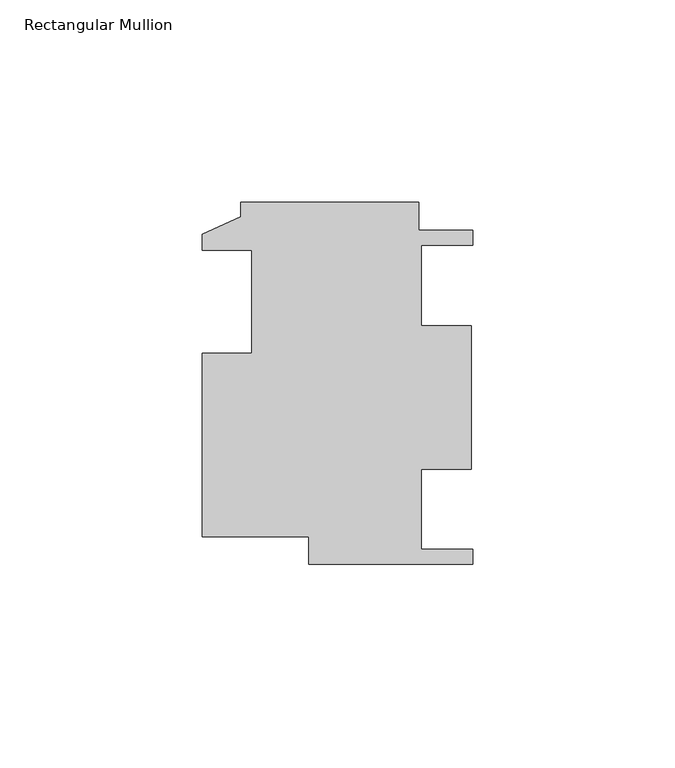
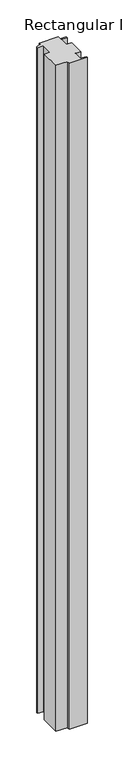
"""IFC4 building model written with IfcOpenShell, lengths in millimetres: member geometry, Rectangular Mullion."""

from ifc_helpers import new_model, si_unit, frame, origin, place, context, project, spatial, polyline, outline, extrude, source, transform, mapped, element, save


def rectangular_mullion_9643a36a(model_context):
    return source(origin(), model_context, "Body", "SweptSolid", [
        extrude(outline(polyline([(-40.4622, -43.1419), (-40.4622, -36.2331), (-66.7512, -36.2331), (-66.7512, 9.0805), (-54.5338, 9.0805), (-54.5338, 34.4805), (-66.7512, 34.4805), (-66.7512, 38.3921), (-57.2262, 42.7101), (-57.2262, 46.3169), (-13.2588, 46.3169), (-13.2588, 39.4081), (0.0, 39.4081), (0.0, 35.6743), (-12.7, 35.6743), (-12.7, 15.8369), (-0.3456927, 15.8369), (-0.3456927, -19.5707), (-12.7, -19.5707), (-12.7, -39.4081), (0.0, -39.4081), (0.0, -43.1419), (-40.4622, -43.1419)])), frame((0.0, 0.0, -1599.0308874), z_axis=(0.0, 0.0, 1.0), x_axis=(1.0, 0.0, 0.0)), (0.0, 0.0, 1.0), 1599.0308874),
    ])


if __name__ == "__main__":
    model = new_model("IFC4")
    model_context = context("Model", 3, world=origin())
    ifc_project = project(units=[si_unit("LENGTHUNIT", "METRE", prefix="MILLI")], contexts=[model_context])
    site = spatial("IfcSite", under=ifc_project)
    building = spatial("IfcBuilding", under=site)
    placement = place(None, origin())
    rectangular_mullion_shape = rectangular_mullion_9643a36a(model_context)
    element("IfcMember", 1, ObjectType="Rectangular Mullion", at=placement, inside=building, context=model_context, shape_type="MappedRepresentation", body=[
        mapped(rectangular_mullion_shape, transform((0.0, 0.0, 0.0), x_axis=(1.0, 0.0, 0.0), y_axis=(0.0, 1.0, 0.0), z_axis=(0.0, 0.0, 1.0))),
    ])
    save(model, "model.ifc")
